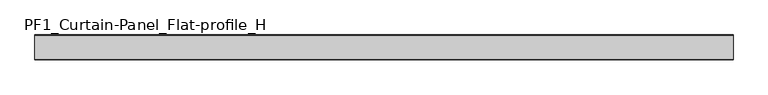
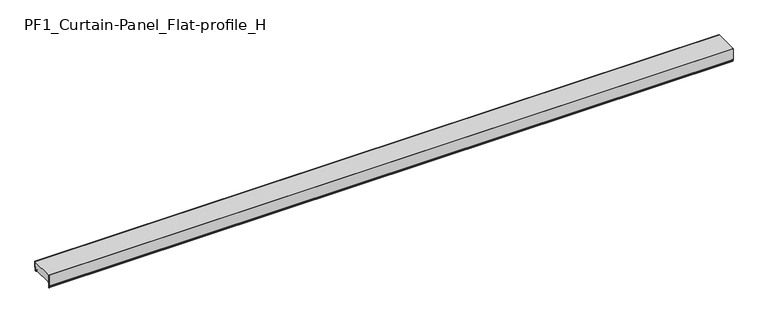
"""IFC4 building model written with IfcOpenShell, lengths in millimetres: plate geometry, PF1_Curtain-Panel_Flat-profile_H."""

from ifc_helpers import new_model, si_unit, point, frame, frame_2d, origin, place, context, project, spatial, polyline, circle_curve, trimmed, segment, composite_curve, outline, extrude, source, transform, mapped, element, save


def pf1_curtain_panel_flat_profile_h_d7535f40(model_context):
    return source(origin(), model_context, "Body", "SweptSolid", [
        extrude(outline(composite_curve([segment(polyline([(-15.878557, 0.0), (-20.0, 0.0), (-20.0, 0.8), (-15.878557, 0.8)]), True, "CONTINUOUS"), segment(trimmed(circle_curve(frame_2d((-15.878557, -2.0)), 2.8), [point((-15.878557, 0.8))], [point((-13.1503208, -1.370137))], False, "CARTESIAN"), True, "CONTINUOUS"), segment(polyline([(-13.1503208, -1.370137), (-11.728236, -7.529863)]), True, "CONTINUOUS"), segment(trimmed(circle_curve(frame_2d((-9.0, -6.9)), 2.8), [point((-11.728236, -7.529863))], [point((-6.2, -6.9))], True, "CARTESIAN"), True, "CONTINUOUS"), segment(polyline([(-6.2, -6.9), (-6.2, 8.6)]), True, "CONTINUOUS"), segment(trimmed(circle_curve(frame_2d((-3.4, 8.6)), 2.8), [point((-6.2, 8.6))], [point((-3.4, 11.4))], False, "CARTESIAN"), True, "CONTINUOUS"), segment(polyline([(-3.4, 11.4), (-2.0, 11.4)]), True, "CONTINUOUS"), segment(trimmed(circle_curve(frame_2d((-2.0, 12.6)), 1.2), [point((-2.0, 11.4))], [point((-0.8, 12.6))], True, "CARTESIAN"), True, "CONTINUOUS"), segment(polyline([(-0.8, 12.6), (-0.8, 47.0), (0.0, 47.0), (0.0, 12.6)]), True, "CONTINUOUS"), segment(trimmed(circle_curve(frame_2d((-2.0, 12.6)), 2.0), [point((0.0, 12.6))], [point((-2.0, 10.6))], False, "CARTESIAN"), True, "CONTINUOUS"), segment(polyline([(-2.0, 10.6), (-3.4, 10.6)]), True, "CONTINUOUS"), segment(trimmed(circle_curve(frame_2d((-3.4, 8.6)), 2.0), [point((-3.4, 10.6))], [point((-5.4, 8.6))], True, "CARTESIAN"), True, "CONTINUOUS"), segment(polyline([(-5.4, 8.6), (-5.4, -6.9)]), True, "CONTINUOUS"), segment(trimmed(circle_curve(frame_2d((-9.0, -6.9)), 3.6), [point((-5.4, -6.9))], [point((-12.5077322, -7.7098239))], False, "CARTESIAN"), True, "CONTINUOUS"), segment(polyline([(-12.5077322, -7.7098239), (-13.929817, -1.5500979)]), True, "CONTINUOUS"), segment(trimmed(circle_curve(frame_2d((-15.878557, -2.0)), 2.0), [point((-13.929817, -1.5500979))], [point((-15.878557, 0.0))], True, "CARTESIAN"), True, "CONTINUOUS")], self_intersect=False)), frame((-2100.0, 0.0, 0.0), z_axis=(1.0, 0.0, 0.0), x_axis=(0.0, 1.0, 0.0)), (0.0, 0.0, 1.0), 4200.0),
        extrude(outline(composite_curve([segment(polyline([(-140.0, 0.0), (-143.5, 0.0)]), True, "CONTINUOUS"), segment(trimmed(circle_curve(frame_2d((-143.5, -2.0)), 2.0), [point((-143.5, 0.0))], [point((-145.5, -2.0))], True, "CARTESIAN"), True, "CONTINUOUS"), segment(polyline([(-145.5, -2.0), (-145.5, -33.0)]), True, "CONTINUOUS"), segment(trimmed(circle_curve(frame_2d((-146.5, -33.0)), 1.0), [point((-145.5, -33.0))], [point((-147.5, -33.0))], False, "CARTESIAN"), True, "CONTINUOUS"), segment(polyline([(-147.5, -33.0), (-147.5, -26.9)]), True, "CONTINUOUS"), segment(trimmed(circle_curve(frame_2d((-148.4, -26.9)), 0.9), [point((-147.5, -26.9))], [point((-148.4, -26.0))], True, "CARTESIAN"), True, "CONTINUOUS"), segment(trimmed(circle_curve(frame_2d((-148.4, -24.4)), 1.6), [point((-148.4, -26.0))], [point((-150.0, -24.4))], False, "CARTESIAN"), True, "CONTINUOUS"), segment(polyline([(-150.0, -24.4), (-150.0, 47.0), (-149.2, 47.0), (-149.2, -24.4)]), True, "CONTINUOUS"), segment(trimmed(circle_curve(frame_2d((-148.4, -24.4)), 0.8), [point((-149.2, -24.4))], [point((-148.4, -25.2))], True, "CARTESIAN"), True, "CONTINUOUS"), segment(trimmed(circle_curve(frame_2d((-148.6133333, -26.9)), 1.7133333), [point((-148.4, -25.2))], [point((-146.9, -26.9))], False, "CARTESIAN"), True, "CONTINUOUS"), segment(polyline([(-146.9, -26.9), (-146.9, -32.8700312)]), True, "CONTINUOUS"), segment(trimmed(circle_curve(frame_2d((-146.6, -32.8700312)), 0.3), [point((-146.9, -32.8700312))], [point((-146.3, -32.8700312))], True, "CARTESIAN"), True, "CONTINUOUS"), segment(polyline([(-146.3, -32.8700312), (-146.3, -2.0)]), True, "CONTINUOUS"), segment(trimmed(circle_curve(frame_2d((-143.5, -2.0)), 2.8), [point((-146.3, -2.0))], [point((-143.5, 0.8))], False, "CARTESIAN"), True, "CONTINUOUS"), segment(polyline([(-143.5, 0.8), (-140.0, 0.8), (-140.0, 0.0)]), True, "CONTINUOUS")], self_intersect=False)), frame((-2100.0, 0.0, 0.0), z_axis=(1.0, 0.0, 0.0), x_axis=(0.0, 1.0, 0.0)), (0.0, 0.0, 1.0), 4200.0),
        extrude(outline(composite_curve([segment(polyline([(-140.0, 0.8), (-143.5, 0.8)]), True, "CONTINUOUS"), segment(trimmed(circle_curve(frame_2d((-143.5, -2.0)), 2.8), [point((-143.5, 0.8))], [point((-146.3, -2.0))], True, "CARTESIAN"), True, "CONTINUOUS"), segment(polyline([(-146.3, -2.0), (-146.3, -32.8700312)]), True, "CONTINUOUS"), segment(trimmed(circle_curve(frame_2d((-146.6, -32.8700312)), 0.3), [point((-146.3, -32.8700312))], [point((-146.9, -32.8700312))], False, "CARTESIAN"), True, "CONTINUOUS"), segment(polyline([(-146.9, -32.8700312), (-146.9, -26.9)]), True, "CONTINUOUS"), segment(trimmed(circle_curve(frame_2d((-148.6133333, -26.9)), 1.7133333), [point((-146.9, -26.9))], [point((-148.4, -25.2))], True, "CARTESIAN"), True, "CONTINUOUS"), segment(trimmed(circle_curve(frame_2d((-148.4, -24.4)), 0.8), [point((-148.4, -25.2))], [point((-149.2, -24.4))], False, "CARTESIAN"), True, "CONTINUOUS"), segment(polyline([(-149.2, -24.4), (-149.2, 47.0), (-0.8, 47.0), (-0.8, 12.6)]), True, "CONTINUOUS"), segment(trimmed(circle_curve(frame_2d((-2.0, 12.6)), 1.2), [point((-0.8, 12.6))], [point((-2.0, 11.4))], False, "CARTESIAN"), True, "CONTINUOUS"), segment(polyline([(-2.0, 11.4), (-3.4, 11.4)]), True, "CONTINUOUS"), segment(trimmed(circle_curve(frame_2d((-3.4, 8.6)), 2.8), [point((-3.4, 11.4))], [point((-6.2, 8.6))], True, "CARTESIAN"), True, "CONTINUOUS"), segment(polyline([(-6.2, 8.6), (-6.2, -6.9)]), True, "CONTINUOUS"), segment(trimmed(circle_curve(frame_2d((-9.0, -6.9)), 2.8), [point((-6.2, -6.9))], [point((-11.7282362, -7.529863))], False, "CARTESIAN"), True, "CONTINUOUS"), segment(polyline([(-11.7282362, -7.529863), (-13.1503208, -1.370137)]), True, "CONTINUOUS"), segment(trimmed(circle_curve(frame_2d((-15.878557, -2.0)), 2.8), [point((-13.1503208, -1.370137))], [point((-15.878557, 0.8))], True, "CARTESIAN"), True, "CONTINUOUS"), segment(polyline([(-15.878557, 0.8), (-20.0, 0.8), (-20.0, 0.0), (-140.0, 0.0), (-140.0, 0.8)]), True, "CONTINUOUS")], self_intersect=False)), frame((-2100.0, 0.0, 0.0), z_axis=(1.0, 0.0, 0.0), x_axis=(0.0, 1.0, 0.0)), (0.0, 0.0, 1.0), 4200.0),
    ])


if __name__ == "__main__":
    model = new_model("IFC4")
    model_context = context("Model", 3, world=origin())
    ifc_project = project(units=[si_unit("LENGTHUNIT", "METRE", prefix="MILLI")], contexts=[model_context])
    site = spatial("IfcSite", under=ifc_project)
    building = spatial("IfcBuilding", under=site)
    placement = place(None, origin())
    pf1_curtain_panel_flat_profile_h_shape = pf1_curtain_panel_flat_profile_h_d7535f40(model_context)
    element("IfcPlate", 1, ObjectType="PF1_Curtain-Panel_Flat-profile_H", at=placement, inside=building, context=model_context, shape_type="MappedRepresentation", body=[
        mapped(pf1_curtain_panel_flat_profile_h_shape, transform((0.0, 0.0, 0.0), x_axis=(1.0, 0.0, 0.0), y_axis=(0.0, 1.0, 0.0), z_axis=(0.0, 0.0, 1.0))),
    ])
    save(model, "model.ifc")
